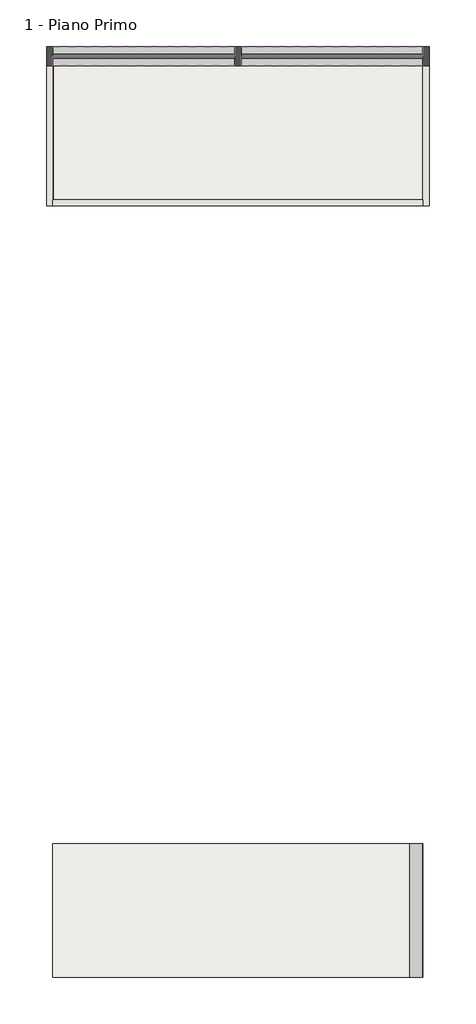
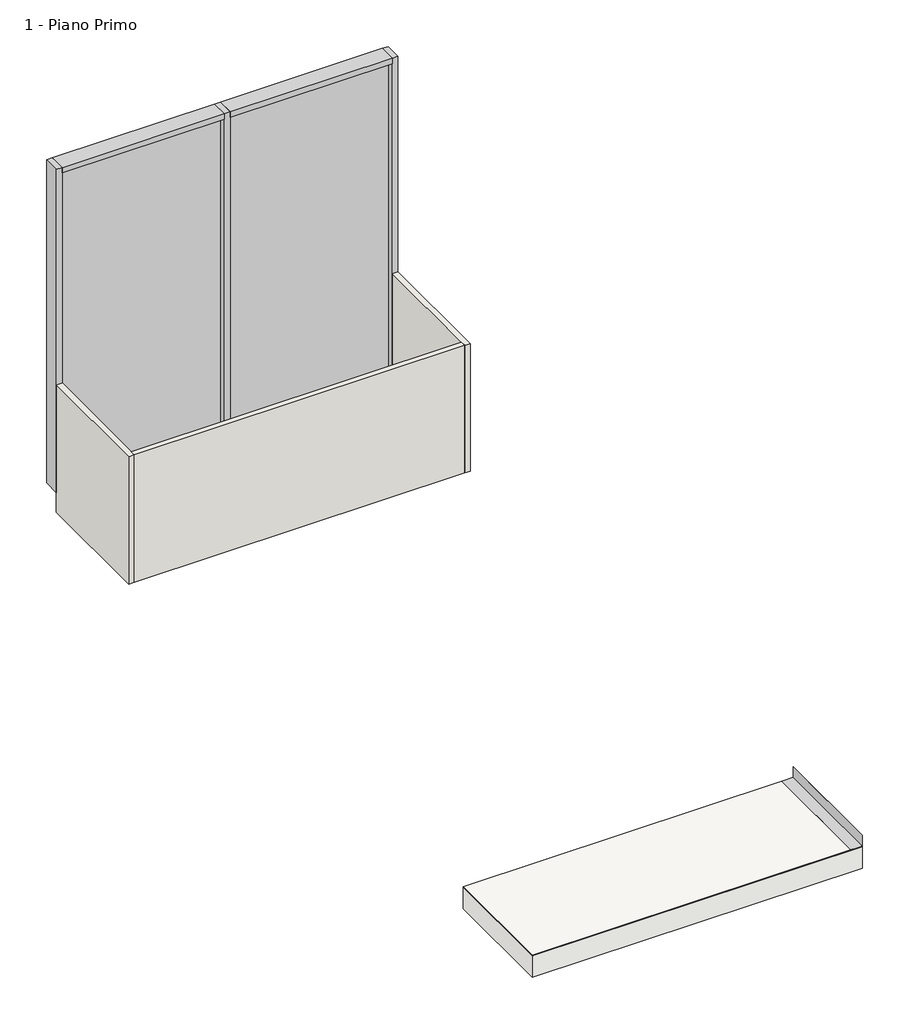
# One storey: 7 members, 3 proxies, 3 slabs, 3 walls, 2 plates.
"""IFC4 building model written with IfcOpenShell, lengths in millimetres."""

import ifcopenshell
import ifcopenshell.guid

model = None  # the IFC model being written
_history = None  # IfcOwnerHistory: only IFC2X3 demands one
_inside = {}  # id of a spatial element -> (the spatial element, [elements in it])
_under = {}  # id of a project, library or spatial element -> (it, [spatial elements below it])
_declared = {}  # id of a project -> (the project, [libraries it declares])
_typed = {}  # id of a type object -> (the type object, [elements of that type])
_made_of = {}  # id of a material, layer set ... -> (it, [elements and type objects made of it])


def new_model(schema):
    """Start an empty IFC model of exactly this schema.

    Asked for "IFC4X3", IfcOpenShell would pick the latest addendum, in which some entities
    have other attributes; the version numbers below select the first issue.
    IFC2X3 requires an IfcOwnerHistory on every rooted entity: one is made here for all.
    """
    global model, _history
    if schema == "IFC4X3":
        model = ifcopenshell.file(schema_version=(4, 3, 0, 0))
    else:
        model = ifcopenshell.file(schema=schema)
    _inside.clear()
    _under.clear()
    _declared.clear()
    _typed.clear()
    _made_of.clear()
    _history = None
    if model.schema == "IFC2X3":
        org = make("IfcOrganization", Name="unknown")
        user = make(
            "IfcPersonAndOrganization",
            ThePerson=make("IfcPerson", FamilyName="unknown"),
            TheOrganization=org,
        )
        app = make(
            "IfcApplication",
            ApplicationDeveloper=org,
            Version="unknown",
            ApplicationFullName="unknown",
            ApplicationIdentifier="unknown",
        )
        _history = make(
            "IfcOwnerHistory",
            OwningUser=user,
            OwningApplication=app,
            ChangeAction="ADDED",
            CreationDate=0,
        )
    return model


def make(cls, **values):
    """One entity of the class cls with the attributes given. An attribute that is None is left unset."""
    return model.create_entity(
        cls, **{name: value for name, value in values.items() if value is not None}
    )


def rooted(cls, **values):
    """An entity with a GlobalId (a new one), such as an element, a storey or a relation."""
    return make(cls, GlobalId=ifcopenshell.guid.new(), OwnerHistory=_history, **values)


def si_unit(unit_type, name, prefix=None):
    """IfcSIUnit, for example si_unit("LENGTHUNIT", "METRE", prefix="MILLI")."""
    return make("IfcSIUnit", UnitType=unit_type, Prefix=prefix, Name=name)


def assignment(units):
    """IfcUnitAssignment: the units of a project."""
    return None if units is None else make("IfcUnitAssignment", Units=units)


def point(xyz):
    """IfcCartesianPoint."""
    return None if xyz is None else make("IfcCartesianPoint", Coordinates=xyz)


def direction(xyz):
    """IfcDirection."""
    return None if xyz is None else make("IfcDirection", DirectionRatios=xyz)


def frame(location, z_axis=None, x_axis=None):
    """IfcAxis2Placement3D, a coordinate frame: its origin and axes. An axis left out is left unset."""
    return make(
        "IfcAxis2Placement3D",
        Location=point(location),
        Axis=direction(z_axis),
        RefDirection=direction(x_axis),
    )


def origin():
    """The frame at (0, 0, 0) with its axes left unset."""
    return frame((0.0, 0.0, 0.0))


def origin_with_axes():
    """The frame at (0, 0, 0) with the z axis (0, 0, 1) and the x axis (1, 0, 0) written out."""
    return frame((0.0, 0.0, 0.0), z_axis=(0.0, 0.0, 1.0), x_axis=(1.0, 0.0, 0.0))


def place(relative_to, where):
    """IfcLocalPlacement: puts the frame where relative to a parent placement (None: the world)."""
    return make(
        "IfcLocalPlacement", PlacementRelTo=relative_to, RelativePlacement=where
    )


def context(
    kind, dimensions, precision=None, world=None, true_north=None, identifier=None
):
    """IfcGeometricRepresentationContext, for example the 3D "Model" context."""
    return make(
        "IfcGeometricRepresentationContext",
        ContextIdentifier=identifier,
        ContextType=kind,
        CoordinateSpaceDimension=dimensions,
        Precision=precision,
        WorldCoordinateSystem=world,
        TrueNorth=true_north,
    )


def project(units=None, contexts=None):
    """IfcProject with its units and contexts."""
    return rooted(
        "IfcProject",
        Name="project",
        RepresentationContexts=contexts,
        UnitsInContext=assignment(units),
    )


def spatial(cls, under=None, at=None, **own):
    """A site, building, storey or space (cls), placed at a placement, below another one or the project."""
    s = rooted(cls, ObjectPlacement=at, **own)
    if under is not None:
        _under.setdefault(under.id(), (under, []))[1].append(s)
    return s


def polyline(points):
    """IfcPolyline through the points."""
    return make("IfcPolyline", Points=[point(p) for p in points])


def outline(outer, holes=None, kind="AREA"):
    """IfcArbitraryClosedProfileDef: a profile drawn as a closed curve; with holes, ...WithVoids."""
    if holes is None:
        return make("IfcArbitraryClosedProfileDef", ProfileType=kind, OuterCurve=outer)
    return make(
        "IfcArbitraryProfileDefWithVoids",
        ProfileType=kind,
        OuterCurve=outer,
        InnerCurves=holes,
    )


def extrude(swept, where, along, depth):
    """IfcExtrudedAreaSolid: the profile swept, set in the frame where, extruded along a direction by depth."""
    return make(
        "IfcExtrudedAreaSolid",
        SweptArea=swept,
        Position=where,
        ExtrudedDirection=direction(along),
        Depth=depth,
    )


def faces_of(points, faces, orient=None, outer=None):
    """IfcFace entities. A face is a list of loops; a loop is a list of indices into points, from 0.

    orient and outer hold one flag for each loop. By default every Orientation is true, the
    first loop of a face is its IfcFaceOuterBound and the others are IfcFaceBound.
    """
    made = []
    for i, loops in enumerate(faces):
        bounds = []
        for j, loop in enumerate(loops):
            is_outer = j == 0 if outer is None else outer[i][j]
            bounds.append(
                make(
                    "IfcFaceOuterBound" if is_outer else "IfcFaceBound",
                    Bound=make("IfcPolyLoop", Polygon=[points[k] for k in loop]),
                    Orientation=True if orient is None else orient[i][j],
                )
            )
        made.append(make("IfcFace", Bounds=bounds))
    return made


def faceted_brep(points, faces, orient=None, outer=None, voids=None):
    """IfcFacetedBrep: a solid bounded by flat faces; with voids (closed shells), ...WithVoids."""
    shared = [point(p) for p in points]
    hull = make("IfcClosedShell", CfsFaces=faces_of(shared, faces, orient, outer))
    if voids is None:
        return make("IfcFacetedBrep", Outer=hull)
    return make(
        "IfcFacetedBrepWithVoids",
        Outer=hull,
        Voids=[
            make(cls, CfsFaces=faces_of(shared, fs, o, b)) for cls, fs, o, b in voids
        ],
    )


def shape(context_of_items, identifier, shape_type, items):
    """IfcShapeRepresentation: the items that make up one representation, for example the "Body"."""
    return make(
        "IfcShapeRepresentation",
        ContextOfItems=context_of_items,
        RepresentationIdentifier=identifier,
        RepresentationType=shape_type,
        Items=items,
    )


def source(mapping_origin, context_of_items, identifier, shape_type, items):
    """IfcRepresentationMap: a shape defined once, which mapped items show again and again."""
    return make(
        "IfcRepresentationMap",
        MappingOrigin=mapping_origin,
        MappedRepresentation=shape(context_of_items, identifier, shape_type, items),
    )


def transform(
    local_origin,
    x_axis=None,
    y_axis=None,
    z_axis=None,
    scale=None,
    scale2=None,
    scale3=None,
    uniform=True,
):
    """IfcCartesianTransformationOperator3D, or its non-uniform kind. x_axis, y_axis, z_axis: its Axis1, 2, 3."""
    if uniform:
        return make(
            "IfcCartesianTransformationOperator3D",
            Axis1=direction(x_axis),
            Axis2=direction(y_axis),
            LocalOrigin=point(local_origin),
            Scale=scale,
            Axis3=direction(z_axis),
        )
    return make(
        "IfcCartesianTransformationOperator3DnonUniform",
        Axis1=direction(x_axis),
        Axis2=direction(y_axis),
        LocalOrigin=point(local_origin),
        Scale=scale,
        Axis3=direction(z_axis),
        Scale2=scale2,
        Scale3=scale3,
    )


def mapped(mapping_source, mapping_target):
    """IfcMappedItem: shows the shape of a source again, moved by a transform."""
    return make(
        "IfcMappedItem", MappingSource=mapping_source, MappingTarget=mapping_target
    )


def made_of(thing, what):
    """Note that an element or type object is made of a material, layer set ...; save() writes the relation."""
    if what is not None:
        _made_of.setdefault(what.id(), (what, []))[1].append(thing)
    return thing


def element(
    cls,
    number,
    at=None,
    inside=None,
    cuts=None,
    type_object=None,
    material=None,
    context=None,
    identifier="Body",
    shape_type=None,
    held_by="IfcProductDefinitionShape",
    body=None,
    shapes=None,
    **own,
):
    """One element of the class cls, such as IfcWall. Its Tag is "e" and its number.

    at: its placement. inside: the storey or other place that contains it. cuts: it is an
    opening in that element (IfcRelVoidsElement). A single representation is given by context,
    identifier, shape_type and body (its items); several are given by shapes. held_by: the class
    of the entity that holds the representations. save() writes the other relations.
    """
    e = rooted(cls, Tag="e%d" % number, ObjectPlacement=at, **own)
    if body is not None:
        shapes = [shape(context, identifier, shape_type, body)]
    if shapes is not None:
        e.Representation = make(held_by, Representations=shapes)
    if inside is not None:
        _inside.setdefault(inside.id(), (inside, []))[1].append(e)
    if cuts is not None:
        rooted(
            "IfcRelVoidsElement", RelatingBuildingElement=cuts, RelatedOpeningElement=e
        )
    if type_object is not None:
        _typed.setdefault(type_object.id(), (type_object, []))[1].append(e)
    return made_of(e, material)


def aggregate(whole, parts):
    """IfcRelAggregates: a whole, such as a stair, and the parts it consists of."""
    return rooted("IfcRelAggregates", RelatingObject=whole, RelatedObjects=parts)


def save(model, path):
    """Write the relations noted so far, then the file.

    IfcRelAggregates (storeys below a building ...), IfcRelContainedInSpatialStructure (elements
    in a storey), IfcRelDefinesByType, IfcRelAssociatesMaterial and IfcRelDeclares: one each for
    every whole, place, type object, material and project.
    """
    for whole, parts in _under.values():
        aggregate(whole, parts)
    for where, things in _inside.values():
        rooted(
            "IfcRelContainedInSpatialStructure",
            RelatedElements=things,
            RelatingStructure=where,
        )
    for kind, things in _typed.values():
        rooted("IfcRelDefinesByType", RelatedObjects=things, RelatingType=kind)
    for what, things in _made_of.values():
        rooted("IfcRelAssociatesMaterial", RelatedObjects=things, RelatingMaterial=what)
    for by, libraries in _declared.values():
        rooted("IfcRelDeclares", RelatingContext=by, RelatedDefinitions=libraries)
    model.write(path)


def montante_rettangolare_montante_rettangolare_6c7cb899(model_context):
    return source(origin(), model_context, "Body", "SweptSolid", [
        extrude(outline(polyline([(25.0, 75.0), (25.0, -75.0), (-25.0, -75.0), (-25.0, 75.0), (25.0, 75.0)])), frame((0.0, 0.0, -3000.0), z_axis=(0.0, 0.0, 1.0), x_axis=(1.0, 0.0, 0.0)), (0.0, 0.0, 1.0), 3000.0),
    ])


def montante_rettangolare_montante_rettangolare_68c91185(model_context):
    return source(origin(), model_context, "Body", "SweptSolid", [
        extrude(outline(polyline([(0.0, 75.0), (0.0, -75.0), (-50.0, -75.0), (-50.0, 75.0), (0.0, 75.0)])), frame((0.0, 0.0, -3000.0), z_axis=(0.0, 0.0, 1.0), x_axis=(1.0, 0.0, 0.0)), (0.0, 0.0, 1.0), 3000.0),
    ])


def montante_rettangolare_montante_rettangolare_751a5dca(model_context):
    return source(origin(), model_context, "Body", "SweptSolid", [
        extrude(outline(polyline([(0.0, 75.0), (0.0, -75.0), (-50.0, -75.0), (-50.0, 75.0), (0.0, 75.0)])), frame((0.0, 0.0, -1425.0), z_axis=(0.0, 0.0, 1.0), x_axis=(1.0, 0.0, 0.0)), (0.0, 0.0, 1.0), 1425.0),
    ])


def pannello_sistema_vetrato_8aeef98d(model_context):
    return source(origin(), model_context, "Body", "SweptSolid", [
        extrude(outline(polyline([(712.5, -15.0), (-712.5, -15.0), (-712.5, 15.0), (712.5, 15.0), (712.5, -15.0)])), origin_with_axes(), (0.0, 0.0, 1.0), 2900.0),
    ])


model = new_model("IFC4")

# Units and contexts
model_context = context("Model", 3, world=origin())
ifc_project = project(units=[si_unit("LENGTHUNIT", "METRE", prefix="MILLI")], contexts=[model_context])

# Site, building, storey
site = spatial("IfcSite", under=ifc_project)
building = spatial("IfcBuilding", under=site)
storey = spatial("IfcBuildingStorey", under=building, Name="1 - Piano Primo", Elevation=3100.0)

# Proxies
placement = place(None, origin())
element("IfcBuildingElementProxy", 1, Name="Slab Edges", at=placement, inside=storey, context=model_context, shape_type="SweptSolid", body=[
    extrude(outline(polyline([(3116.8, -3989.8605058), (3216.8, -3989.8605058), (3216.8, -3990.8605058), (3117.8, -3990.8605058), (3117.8, -4089.8605058), (3116.8, -4089.8605058), (3116.8, -3989.8605058)])), frame((0.0, -255.8659525, 0.0), z_axis=(0.0, 1.0, 0.0), x_axis=(0.0, 0.0, 1.0)), (0.0, 0.0, 1.0), 1050.0),
])
element("IfcBuildingElementProxy", 2, Name="Slab Edges", at=placement, inside=storey, context=model_context, shape_type="SweptSolid", body=[
    extrude(outline(polyline([(3116.8, -6889.8605058), (3116.8, -6789.8605058), (3117.8, -6789.8605058), (3117.8, -6888.8605058), (3216.8, -6888.8605058), (3216.8, -6889.8605058), (3116.8, -6889.8605058)])), frame((0.0, -255.8659525, 0.0), z_axis=(0.0, 1.0, 0.0), x_axis=(0.0, 0.0, 1.0)), (0.0, 0.0, 1.0), 1050.0),
])
element("IfcBuildingElementProxy", 3, Name="Slab Edges", at=placement, inside=storey, context=model_context, shape_type="SweptSolid", body=[
    extrude(outline(polyline([(3120.0, -3989.8605058), (3220.0, -3989.8605058), (3220.0, -3990.8605058), (3121.0, -3990.8605058), (3121.0, -4089.8605058), (3120.0, -4089.8605058), (3120.0, -3989.8605058)])), frame((0.0, -6355.8659525, 0.0), z_axis=(0.0, 1.0, 0.0), x_axis=(0.0, 0.0, 1.0)), (0.0, 0.0, 1.0), 1050.0),
])

# Members
montante_rettangolare_montante_rettangolare_shape = montante_rettangolare_montante_rettangolare_6c7cb899(model_context)
element("IfcMember", 4, ObjectType="Montante rettangolare : Montante rettangolare", at=placement, inside=storey, context=model_context, shape_type="MappedRepresentation", body=[
    mapped(montante_rettangolare_montante_rettangolare_shape, transform((-5439.8605058, 869.1340475, 3100.0), x_axis=(1.0, 0.0, 0.0), y_axis=(0.0, -1.0, 0.0), z_axis=(0.0, 0.0, -1.0))),
])
montante_rettangolare_montante_rettangolare_2_shape = montante_rettangolare_montante_rettangolare_68c91185(model_context)
element("IfcMember", 5, ObjectType="Montante rettangolare : Montante rettangolare", at=placement, inside=storey, context=model_context, shape_type="MappedRepresentation", body=[
    mapped(montante_rettangolare_montante_rettangolare_2_shape, transform((-3939.8605058, 869.1340475, 3100.0), x_axis=(1.0, 0.0, 0.0), y_axis=(0.0, -1.0, 0.0), z_axis=(0.0, 0.0, -1.0))),
])
element("IfcMember", 6, ObjectType="Montante rettangolare : Montante rettangolare", at=placement, inside=storey, context=model_context, shape_type="MappedRepresentation", body=[
    mapped(montante_rettangolare_montante_rettangolare_2_shape, transform((-6939.8605058, 869.1340475, 6100.0), x_axis=(-1.0, 0.0, 0.0), y_axis=(0.0, -1.0, 0.0), z_axis=(0.0, 0.0, 1.0))),
])
montante_rettangolare_montante_rettangolare_3_shape = montante_rettangolare_montante_rettangolare_751a5dca(model_context)
element("IfcMember", 7, ObjectType="Montante rettangolare : Montante rettangolare", at=placement, inside=storey, context=model_context, shape_type="MappedRepresentation", body=[
    mapped(montante_rettangolare_montante_rettangolare_3_shape, transform((-3989.8605058, 869.1340475, 6100.0), x_axis=(0.0, 0.0, 1.0), y_axis=(0.0, -1.0, 0.0), z_axis=(1.0, 0.0, 0.0))),
])
element("IfcMember", 8, ObjectType="Montante rettangolare : Montante rettangolare", at=placement, inside=storey, context=model_context, shape_type="MappedRepresentation", body=[
    mapped(montante_rettangolare_montante_rettangolare_3_shape, transform((-5464.8605058, 869.1340475, 6100.0), x_axis=(0.0, 0.0, 1.0), y_axis=(0.0, -1.0, 0.0), z_axis=(1.0, 0.0, 0.0))),
])
element("IfcMember", 9, ObjectType="Montante rettangolare : Montante rettangolare", at=placement, inside=storey, context=model_context, shape_type="MappedRepresentation", body=[
    mapped(montante_rettangolare_montante_rettangolare_3_shape, transform((-6889.8605058, 869.1340475, 3100.0), x_axis=(0.0, 0.0, -1.0), y_axis=(0.0, -1.0, 0.0), z_axis=(-1.0, 0.0, 0.0))),
])
element("IfcMember", 10, ObjectType="Montante rettangolare : Montante rettangolare", at=placement, inside=storey, context=model_context, shape_type="MappedRepresentation", body=[
    mapped(montante_rettangolare_montante_rettangolare_3_shape, transform((-5414.8605058, 869.1340475, 3100.0), x_axis=(0.0, 0.0, -1.0), y_axis=(0.0, -1.0, 0.0), z_axis=(-1.0, 0.0, 0.0))),
])

# Plates
pannello_sistema_vetrato_shape = pannello_sistema_vetrato_8aeef98d(model_context)
element("IfcPlate", 11, ObjectType="Pannello sistema : Vetrato", at=placement, inside=storey, context=model_context, shape_type="MappedRepresentation", body=[
    mapped(pannello_sistema_vetrato_shape, transform((-6177.3605058, 869.1340475, 3150.0), x_axis=(1.0, 0.0, 0.0), y_axis=(0.0, 1.0, 0.0), z_axis=(0.0, 0.0, 1.0))),
])
element("IfcPlate", 12, ObjectType="Pannello sistema : Vetrato", at=placement, inside=storey, context=model_context, shape_type="MappedRepresentation", body=[
    mapped(pannello_sistema_vetrato_shape, transform((-4702.3605058, 869.1340475, 3150.0), x_axis=(1.0, 0.0, 0.0), y_axis=(0.0, 1.0, 0.0), z_axis=(0.0, 0.0, 1.0))),
])

# Slabs
element("IfcSlab", 13, at=placement, inside=storey, context=model_context, shape_type="SweptSolid", body=[
    extrude(outline(polyline([(-3989.8605058, 794.1340475), (-3989.8605058, -255.8659525), (-6889.8605058, -255.8659525), (-6889.8605058, 794.1340475), (-3989.8605058, 794.1340475)])), frame((0.0, 0.0, 2916.0), z_axis=(0.0, 0.0, 1.0), x_axis=(1.0, 0.0, 0.0)), (0.0, 0.0, 1.0), 204.0),
])
element("IfcSlab", 14, at=placement, inside=storey, context=model_context, shape_type="SolidModel", body=[
    faceted_brep([(-3989.8605058, -5305.8659525, 3119.2), (-3989.8605058, -6355.8659525, 3119.2), (-6889.8605058, -6355.8659525, 3119.2), (-6889.8605058, -5305.8659525, 3119.2), (-3989.8605058, -5305.8659525, 3120.0), (-4089.8605058, -5305.8659525, 3120.0), (-6889.8605058, -5305.8659525, 3120.0), (-6889.8605058, -6355.8659525, 3120.0), (-4089.8605058, -6355.8659525, 3120.0), (-3989.8605058, -6355.8659525, 3120.0)], [[[0, 1, 2, 3]], [[4, 5, 6, 7, 8, 9]], [[4, 9, 1, 0]], [[8, 7, 2, 1, 9]], [[7, 6, 3, 2]], [[5, 4, 0, 3, 6]]]),
    extrude(outline(polyline([(-3989.8605058, -5305.8659525), (-3989.8605058, -6355.8659525), (-6889.8605058, -6355.8659525), (-6889.8605058, -5305.8659525), (-3989.8605058, -5305.8659525)])), frame((0.0, 0.0, 3118.4), z_axis=(0.0, 0.0, 1.0), x_axis=(1.0, 0.0, 0.0)), (0.0, 0.0, 1.0), 0.8),
    extrude(outline(polyline([(-3989.8605058, -5305.8659525), (-3989.8605058, -6355.8659525), (-6889.8605058, -6355.8659525), (-6889.8605058, -5305.8659525), (-3989.8605058, -5305.8659525)])), frame((0.0, 0.0, 3117.6), z_axis=(0.0, 0.0, 1.0), x_axis=(1.0, 0.0, 0.0)), (0.0, 0.0, 1.0), 0.8),
    extrude(outline(polyline([(-3989.8605058, -5305.8659525), (-3989.8605058, -6355.8659525), (-6889.8605058, -6355.8659525), (-6889.8605058, -5305.8659525), (-3989.8605058, -5305.8659525)])), frame((0.0, 0.0, 3116.8), z_axis=(0.0, 0.0, 1.0), x_axis=(1.0, 0.0, 0.0)), (0.0, 0.0, 1.0), 0.8),
    extrude(outline(polyline([(-3989.8605058, -5305.8659525), (-3989.8605058, -6355.8659525), (-6889.8605058, -6355.8659525), (-6889.8605058, -5305.8659525), (-3989.8605058, -5305.8659525)])), frame((0.0, 0.0, 3116.0), z_axis=(0.0, 0.0, 1.0), x_axis=(1.0, 0.0, 0.0)), (0.0, 0.0, 1.0), 0.8),
    extrude(outline(polyline([(-3989.8605058, -5305.8659525), (-3989.8605058, -6355.8659525), (-6889.8605058, -6355.8659525), (-6889.8605058, -5305.8659525), (-3989.8605058, -5305.8659525)])), frame((0.0, 0.0, 2916.0), z_axis=(0.0, 0.0, 1.0), x_axis=(1.0, 0.0, 0.0)), (0.0, 0.0, 1.0), 200.0),
])
element("IfcSlab", 15, ObjectType="generic", at=placement, inside=storey, context=model_context, shape_type="Brep", body=[
    faceted_brep([(-3989.8605058, 794.1340475, 2916.8), (-3989.8605058, -255.8659525, 2916.8), (-6889.8605058, -255.8659525, 2916.8), (-6889.8605058, 794.1340475, 2916.8), (-3989.8605058, 794.1340475, 3116.8), (-4089.8605058, 794.1340475, 3116.8), (-6789.8605058, 794.1340475, 3116.8), (-6889.8605058, 794.1340475, 3116.8), (-6889.8605058, -255.8659525, 3116.8), (-6789.8605058, -255.8659525, 3116.8), (-4089.8605058, -255.8659525, 3116.8), (-3989.8605058, -255.8659525, 3116.8)], [[[0, 1, 2, 3]], [[4, 5, 6, 7, 8, 9, 10, 11]], [[1, 0, 4, 11]], [[2, 1, 11, 10, 9, 8]], [[3, 2, 8, 7]], [[0, 3, 7, 6, 5, 4]]]),
])

# Walls
element("IfcWall", 16, ObjectType="5", at=placement, inside=storey, context=model_context, shape_type="Brep", body=[
    faceted_brep([(-6939.8605058, 794.1340475, 2916.0), (-6939.8605058, -305.8659525, 2916.0), (-6939.8605058, -305.8659525, 4100.0), (-6939.8605058, 794.1340475, 4100.0), (-6889.8605058, 794.1340475, 2916.0), (-6889.8605058, 794.1340475, 4100.0), (-6889.8605058, -255.8659525, 4100.0), (-6889.8605058, -305.8659525, 4100.0), (-6889.8605058, -305.8659525, 2916.0), (-6889.8605058, -255.8659525, 2916.0)], [[[0, 1, 2, 3]], [[4, 5, 6, 7, 8, 9]], [[1, 0, 4, 9, 8]], [[3, 2, 7, 6, 5]], [[0, 3, 5, 4]], [[2, 1, 8, 7]]]),
])
element("IfcWall", 17, ObjectType="5", at=placement, inside=storey, context=model_context, shape_type="Brep", body=[
    faceted_brep([(-3989.8605058, 794.1340475, 2915.9940442), (-3989.8605058, -255.8659525, 2915.9940442), (-3989.8605058, -305.8659525, 2915.9940442), (-3989.8605058, -305.8659525, 4100.0), (-3989.8605058, -255.8659525, 4100.0), (-3989.8605058, 794.1340475, 4100.0), (-3939.8605058, 794.1340475, 2915.9940442), (-3939.8605058, 794.1340475, 4100.0), (-3939.8605058, -305.8659525, 4100.0), (-3939.8605058, -305.8659525, 2915.9940442)], [[[0, 1, 2, 3, 4, 5]], [[6, 7, 8, 9]], [[2, 1, 0, 6, 9]], [[5, 4, 3, 8, 7]], [[0, 5, 7, 6]], [[3, 2, 9, 8]]]),
])
element("IfcWall", 18, ObjectType="5", at=placement, inside=storey, context=model_context, shape_type="SweptSolid", body=[
    extrude(outline(polyline([(-3989.8605058, -305.8659525), (-6889.8605058, -305.8659525), (-6889.8605058, -255.8659525), (-3989.8605058, -255.8659525), (-3989.8605058, -305.8659525)])), frame((0.0, 0.0, 2916.0), z_axis=(0.0, 0.0, 1.0), x_axis=(1.0, 0.0, 0.0)), (0.0, 0.0, 1.0), 1184.0),
])

save(model, "model.ifc")
